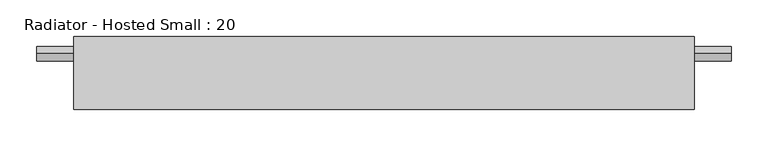
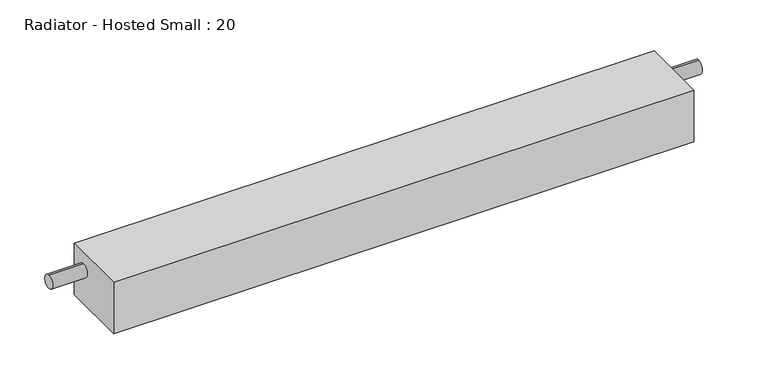
"""IFC4 building model written with IfcOpenShell, lengths in millimetres: proxy geometry, Radiator - Hosted Small : 20."""

from ifc_helpers import new_model, si_unit, frame, origin, place, context, project, spatial, circle_curve, source, transform, mapped, element, save
from ifc_brep_helpers import plane_surface, cylinder_surface, advanced_brep


def radiator_hosted_small_20_32764112(model_context):
    return source(origin(), model_context, "Body", "AdvancedBrep", [
        advanced_brep(
        [(425.0, 100.0, 0.0), (425.0, 100.0, 80.0), (425.0, 0.0, 80.0), (425.0, 0.0, 0.0), (425.0, 76.2, 42.3875), (425.0, 76.2, 62.3875), (-425.0, 100.0, 0.0), (-425.0, 0.0, 0.0), (-425.0, 0.0, 80.0), (-425.0, 100.0, 80.0), (-425.0, 76.2, 62.3875), (-425.0, 76.2, 42.3875), (-475.8, 76.2, 42.3875), (-475.8, 76.2, 62.3875), (475.8, 76.2, 42.3875), (475.8, 76.2, 62.3875)],
        [
            (0, 1),
            (1, 2),
            (2, 3),
            (3, 0),
            (4, 5, circle_curve(frame((425.0, 76.2, 52.3875), z_axis=(-1.0, 0.0, 0.0), x_axis=(0.0, 0.0, 1.0)), 10.0)),
            (5, 4, circle_curve(frame((425.0, 76.2, 52.3875), z_axis=(-1.0, 0.0, 0.0), x_axis=(0.0, 0.0, 1.0)), 10.0)),
            (6, 7),
            (7, 8),
            (8, 9),
            (9, 6),
            (10, 11, circle_curve(frame((-425.0, 76.2, 52.3875), z_axis=(1.0, 0.0, 0.0), x_axis=(0.0, 0.0, 1.0)), 10.0)),
            (11, 10, circle_curve(frame((-425.0, 76.2, 52.3875), z_axis=(1.0, 0.0, 0.0), x_axis=(0.0, 0.0, 1.0)), 10.0)),
            (0, 6),
            (9, 1),
            (8, 2),
            (7, 3),
            (12, 13, circle_curve(frame((-475.8, 76.2, 52.3875), z_axis=(-1.0, 0.0, 0.0), x_axis=(0.0, 0.0, 1.0)), 10.0)),
            (13, 12, circle_curve(frame((-475.8, 76.2, 52.3875), z_axis=(-1.0, 0.0, 0.0), x_axis=(0.0, 0.0, 1.0)), 10.0)),
            (14, 15, circle_curve(frame((475.8, 76.2, 52.3875), z_axis=(1.0, 0.0, 0.0), x_axis=(0.0, 0.0, 1.0)), 10.0)),
            (15, 14, circle_curve(frame((475.8, 76.2, 52.3875), z_axis=(1.0, 0.0, 0.0), x_axis=(0.0, 0.0, 1.0)), 10.0)),
            (12, 11),
            (10, 13),
            (15, 5),
            (4, 14),
        ],
        [
            plane_surface(frame((425.0, 100.0, 0.0), z_axis=(1.0, 0.0, 0.0), x_axis=(0.0, 0.0, 1.0))),
            plane_surface(frame((-425.0, 100.0, 0.0), z_axis=(-1.0, 0.0, 0.0), x_axis=(0.0, 0.0, -1.0))),
            plane_surface(frame((425.0, 100.0, 0.0), z_axis=(0.0, 1.0, 0.0), x_axis=(-1.0, 0.0, 0.0))),
            plane_surface(frame((425.0, 100.0, 80.0), z_axis=(0.0, 0.0, 1.0), x_axis=(-1.0, 0.0, 0.0))),
            plane_surface(frame((425.0, 0.0, 80.0), z_axis=(0.0, -1.0, 0.0), x_axis=(-1.0, 0.0, 0.0))),
            plane_surface(frame((425.0, 0.0, 0.0), z_axis=(0.0, 0.0, -1.0), x_axis=(-1.0, 0.0, 0.0))),
            plane_surface(frame((-475.8, 76.2, 62.3875), z_axis=(-1.0, 0.0, 0.0), x_axis=(0.0, 1.0, 0.0))),
            plane_surface(frame((475.8, 76.2, 62.3875), z_axis=(1.0, 0.0, 0.0), x_axis=(0.0, -1.0, 0.0))),
            cylinder_surface(frame((475.8, 76.2, 52.3875), z_axis=(-1.0, 0.0, 0.0), x_axis=(0.0, 0.0, 1.0)), 10.0),
        ],
        [
            (0, [[1, 2, 3, 4], [5, 6]]),
            (1, [[7, 8, 9, 10], [11, 12]]),
            (2, [[-1, 13, -10, 14]]),
            (3, [[-2, -14, -9, 15]]),
            (4, [[-3, -15, -8, 16]]),
            (5, [[-4, -16, -7, -13]]),
            (6, [[17, 18]]),
            (7, [[19, 20]]),
            (8, [[-17, 21, -11, 22]]),
            (8, [[-20, 23, -5, 24]]),
            (8, [[-18, -22, -12, -21]]),
            (8, [[-19, -24, -6, -23]]),
        ],
    ),
    ])


if __name__ == "__main__":
    model = new_model("IFC4")
    model_context = context("Model", 3, world=origin())
    ifc_project = project(units=[si_unit("LENGTHUNIT", "METRE", prefix="MILLI")], contexts=[model_context])
    site = spatial("IfcSite", under=ifc_project)
    building = spatial("IfcBuilding", under=site)
    placement = place(None, origin())
    radiator_hosted_small_20_shape = radiator_hosted_small_20_32764112(model_context)
    element("IfcBuildingElementProxy", 1, Name="Radiator - Hosted Small : 20", ObjectType="Radiator - Hosted Small : 20", at=placement, inside=building, context=model_context, shape_type="MappedRepresentation", body=[
        mapped(radiator_hosted_small_20_shape, transform((0.0, 0.0, 0.0), x_axis=(1.0, 0.0, 0.0), y_axis=(0.0, 1.0, 0.0), z_axis=(0.0, 0.0, 1.0))),
    ])
    save(model, "model.ifc")
